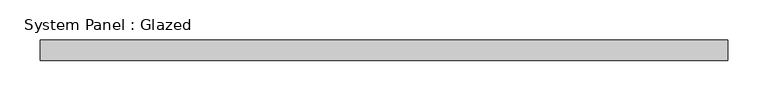
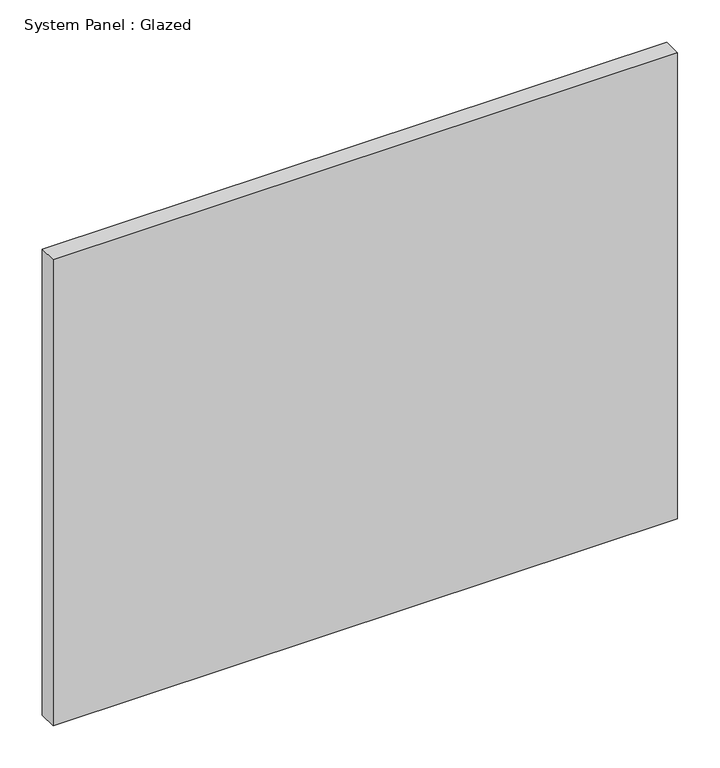
"""IFC4 building model written with IfcOpenShell, lengths in millimetres: plate geometry, System Panel : Glazed."""

import ifcopenshell
import ifcopenshell.guid

model = None  # the IFC model being written
_history = None  # IfcOwnerHistory: only IFC2X3 demands one
_inside = {}  # id of a spatial element -> (the spatial element, [elements in it])
_under = {}  # id of a project, library or spatial element -> (it, [spatial elements below it])
_declared = {}  # id of a project -> (the project, [libraries it declares])
_typed = {}  # id of a type object -> (the type object, [elements of that type])
_made_of = {}  # id of a material, layer set ... -> (it, [elements and type objects made of it])


def new_model(schema):
    """Start an empty IFC model of exactly this schema.

    Asked for "IFC4X3", IfcOpenShell would pick the latest addendum, in which some entities
    have other attributes; the version numbers below select the first issue.
    IFC2X3 requires an IfcOwnerHistory on every rooted entity: one is made here for all.
    """
    global model, _history
    if schema == "IFC4X3":
        model = ifcopenshell.file(schema_version=(4, 3, 0, 0))
    else:
        model = ifcopenshell.file(schema=schema)
    _inside.clear()
    _under.clear()
    _declared.clear()
    _typed.clear()
    _made_of.clear()
    _history = None
    if model.schema == "IFC2X3":
        org = make("IfcOrganization", Name="unknown")
        user = make(
            "IfcPersonAndOrganization",
            ThePerson=make("IfcPerson", FamilyName="unknown"),
            TheOrganization=org,
        )
        app = make(
            "IfcApplication",
            ApplicationDeveloper=org,
            Version="unknown",
            ApplicationFullName="unknown",
            ApplicationIdentifier="unknown",
        )
        _history = make(
            "IfcOwnerHistory",
            OwningUser=user,
            OwningApplication=app,
            ChangeAction="ADDED",
            CreationDate=0,
        )
    return model


def make(cls, **values):
    """One entity of the class cls with the attributes given. An attribute that is None is left unset."""
    return model.create_entity(
        cls, **{name: value for name, value in values.items() if value is not None}
    )


def rooted(cls, **values):
    """An entity with a GlobalId (a new one), such as an element, a storey or a relation."""
    return make(cls, GlobalId=ifcopenshell.guid.new(), OwnerHistory=_history, **values)


def si_unit(unit_type, name, prefix=None):
    """IfcSIUnit, for example si_unit("LENGTHUNIT", "METRE", prefix="MILLI")."""
    return make("IfcSIUnit", UnitType=unit_type, Prefix=prefix, Name=name)


def assignment(units):
    """IfcUnitAssignment: the units of a project."""
    return None if units is None else make("IfcUnitAssignment", Units=units)


def point(xyz):
    """IfcCartesianPoint."""
    return None if xyz is None else make("IfcCartesianPoint", Coordinates=xyz)


def direction(xyz):
    """IfcDirection."""
    return None if xyz is None else make("IfcDirection", DirectionRatios=xyz)


def frame(location, z_axis=None, x_axis=None):
    """IfcAxis2Placement3D, a coordinate frame: its origin and axes. An axis left out is left unset."""
    return make(
        "IfcAxis2Placement3D",
        Location=point(location),
        Axis=direction(z_axis),
        RefDirection=direction(x_axis),
    )


def origin():
    """The frame at (0, 0, 0) with its axes left unset."""
    return frame((0.0, 0.0, 0.0))


def origin_with_axes():
    """The frame at (0, 0, 0) with the z axis (0, 0, 1) and the x axis (1, 0, 0) written out."""
    return frame((0.0, 0.0, 0.0), z_axis=(0.0, 0.0, 1.0), x_axis=(1.0, 0.0, 0.0))


def place(relative_to, where):
    """IfcLocalPlacement: puts the frame where relative to a parent placement (None: the world)."""
    return make(
        "IfcLocalPlacement", PlacementRelTo=relative_to, RelativePlacement=where
    )


def context(
    kind, dimensions, precision=None, world=None, true_north=None, identifier=None
):
    """IfcGeometricRepresentationContext, for example the 3D "Model" context."""
    return make(
        "IfcGeometricRepresentationContext",
        ContextIdentifier=identifier,
        ContextType=kind,
        CoordinateSpaceDimension=dimensions,
        Precision=precision,
        WorldCoordinateSystem=world,
        TrueNorth=true_north,
    )


def project(units=None, contexts=None):
    """IfcProject with its units and contexts."""
    return rooted(
        "IfcProject",
        Name="project",
        RepresentationContexts=contexts,
        UnitsInContext=assignment(units),
    )


def spatial(cls, under=None, at=None, **own):
    """A site, building, storey or space (cls), placed at a placement, below another one or the project."""
    s = rooted(cls, ObjectPlacement=at, **own)
    if under is not None:
        _under.setdefault(under.id(), (under, []))[1].append(s)
    return s


def polyline(points):
    """IfcPolyline through the points."""
    return make("IfcPolyline", Points=[point(p) for p in points])


def outline(outer, holes=None, kind="AREA"):
    """IfcArbitraryClosedProfileDef: a profile drawn as a closed curve; with holes, ...WithVoids."""
    if holes is None:
        return make("IfcArbitraryClosedProfileDef", ProfileType=kind, OuterCurve=outer)
    return make(
        "IfcArbitraryProfileDefWithVoids",
        ProfileType=kind,
        OuterCurve=outer,
        InnerCurves=holes,
    )


def extrude(swept, where, along, depth):
    """IfcExtrudedAreaSolid: the profile swept, set in the frame where, extruded along a direction by depth."""
    return make(
        "IfcExtrudedAreaSolid",
        SweptArea=swept,
        Position=where,
        ExtrudedDirection=direction(along),
        Depth=depth,
    )


def shape(context_of_items, identifier, shape_type, items):
    """IfcShapeRepresentation: the items that make up one representation, for example the "Body"."""
    return make(
        "IfcShapeRepresentation",
        ContextOfItems=context_of_items,
        RepresentationIdentifier=identifier,
        RepresentationType=shape_type,
        Items=items,
    )


def source(mapping_origin, context_of_items, identifier, shape_type, items):
    """IfcRepresentationMap: a shape defined once, which mapped items show again and again."""
    return make(
        "IfcRepresentationMap",
        MappingOrigin=mapping_origin,
        MappedRepresentation=shape(context_of_items, identifier, shape_type, items),
    )


def transform(
    local_origin,
    x_axis=None,
    y_axis=None,
    z_axis=None,
    scale=None,
    scale2=None,
    scale3=None,
    uniform=True,
):
    """IfcCartesianTransformationOperator3D, or its non-uniform kind. x_axis, y_axis, z_axis: its Axis1, 2, 3."""
    if uniform:
        return make(
            "IfcCartesianTransformationOperator3D",
            Axis1=direction(x_axis),
            Axis2=direction(y_axis),
            LocalOrigin=point(local_origin),
            Scale=scale,
            Axis3=direction(z_axis),
        )
    return make(
        "IfcCartesianTransformationOperator3DnonUniform",
        Axis1=direction(x_axis),
        Axis2=direction(y_axis),
        LocalOrigin=point(local_origin),
        Scale=scale,
        Axis3=direction(z_axis),
        Scale2=scale2,
        Scale3=scale3,
    )


def mapped(mapping_source, mapping_target):
    """IfcMappedItem: shows the shape of a source again, moved by a transform."""
    return make(
        "IfcMappedItem", MappingSource=mapping_source, MappingTarget=mapping_target
    )


def made_of(thing, what):
    """Note that an element or type object is made of a material, layer set ...; save() writes the relation."""
    if what is not None:
        _made_of.setdefault(what.id(), (what, []))[1].append(thing)
    return thing


def element(
    cls,
    number,
    at=None,
    inside=None,
    cuts=None,
    type_object=None,
    material=None,
    context=None,
    identifier="Body",
    shape_type=None,
    held_by="IfcProductDefinitionShape",
    body=None,
    shapes=None,
    **own,
):
    """One element of the class cls, such as IfcWall. Its Tag is "e" and its number.

    at: its placement. inside: the storey or other place that contains it. cuts: it is an
    opening in that element (IfcRelVoidsElement). A single representation is given by context,
    identifier, shape_type and body (its items); several are given by shapes. held_by: the class
    of the entity that holds the representations. save() writes the other relations.
    """
    e = rooted(cls, Tag="e%d" % number, ObjectPlacement=at, **own)
    if body is not None:
        shapes = [shape(context, identifier, shape_type, body)]
    if shapes is not None:
        e.Representation = make(held_by, Representations=shapes)
    if inside is not None:
        _inside.setdefault(inside.id(), (inside, []))[1].append(e)
    if cuts is not None:
        rooted(
            "IfcRelVoidsElement", RelatingBuildingElement=cuts, RelatedOpeningElement=e
        )
    if type_object is not None:
        _typed.setdefault(type_object.id(), (type_object, []))[1].append(e)
    return made_of(e, material)


def aggregate(whole, parts):
    """IfcRelAggregates: a whole, such as a stair, and the parts it consists of."""
    return rooted("IfcRelAggregates", RelatingObject=whole, RelatedObjects=parts)


def save(model, path):
    """Write the relations noted so far, then the file.

    IfcRelAggregates (storeys below a building ...), IfcRelContainedInSpatialStructure (elements
    in a storey), IfcRelDefinesByType, IfcRelAssociatesMaterial and IfcRelDeclares: one each for
    every whole, place, type object, material and project.
    """
    for whole, parts in _under.values():
        aggregate(whole, parts)
    for where, things in _inside.values():
        rooted(
            "IfcRelContainedInSpatialStructure",
            RelatedElements=things,
            RelatingStructure=where,
        )
    for kind, things in _typed.values():
        rooted("IfcRelDefinesByType", RelatedObjects=things, RelatingType=kind)
    for what, things in _made_of.values():
        rooted("IfcRelAssociatesMaterial", RelatedObjects=things, RelatingMaterial=what)
    for by, libraries in _declared.values():
        rooted("IfcRelDeclares", RelatingContext=by, RelatedDefinitions=libraries)
    model.write(path)


def system_panel_glazed_fb5aca53(model_context):
    return source(origin(), model_context, "Body", "SweptSolid", [
        extrude(outline(polyline([(425.0, -49.5), (-425.0, -49.5), (-425.0, -24.5), (425.0, -24.5), (425.0, -49.5)])), origin_with_axes(), (0.0, 0.0, 1.0), 670.0),
    ])


if __name__ == "__main__":
    model = new_model("IFC4")
    model_context = context("Model", 3, world=origin())
    ifc_project = project(units=[si_unit("LENGTHUNIT", "METRE", prefix="MILLI")], contexts=[model_context])
    site = spatial("IfcSite", under=ifc_project)
    building = spatial("IfcBuilding", under=site)
    placement = place(None, origin())
    system_panel_glazed_shape = system_panel_glazed_fb5aca53(model_context)
    element("IfcPlate", 1, ObjectType="System Panel : Glazed", at=placement, inside=building, context=model_context, shape_type="MappedRepresentation", body=[
        mapped(system_panel_glazed_shape, transform((0.0, 0.0, 0.0), x_axis=(1.0, 0.0, 0.0), y_axis=(0.0, 1.0, 0.0), z_axis=(0.0, 0.0, 1.0))),
    ])
    save(model, "model.ifc")
